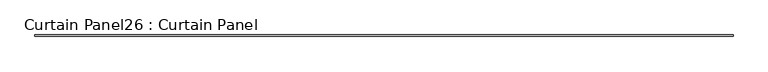
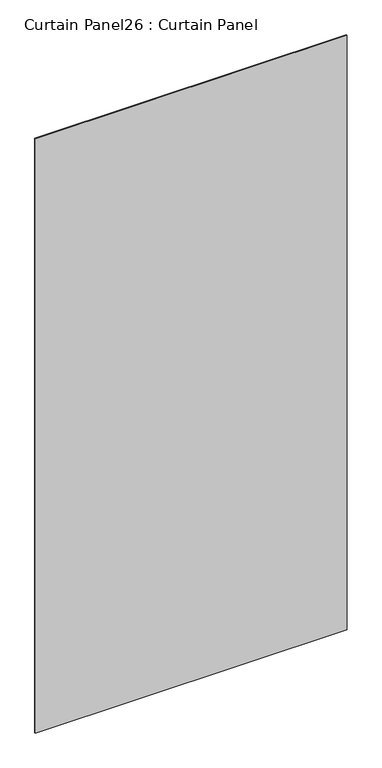
"""IFC4 building model written with IfcOpenShell, lengths in millimetres: plate geometry, Curtain Panel26 : Curtain Panel."""

from ifc_helpers import new_model, si_unit, frame, origin, place, context, project, spatial, polyline, outline, extrude, source, transform, mapped, element, save


def curtain_panel26_curtain_panel_36f80a8c(model_context):
    return source(origin(), model_context, "Body", "SweptSolid", [
        extrude(outline(polyline([(142566.3761004, 2938.2104768), (139613.6261004, 2938.2104768), (139613.6261004, 2944.5604768), (142566.3761004, 2944.5604768), (142566.3761004, 2938.2104768)])), frame((0.0, 0.0, 7253.2983791), z_axis=(0.0, 0.0, 1.0), x_axis=(1.0, 0.0, 0.0)), (0.0, 0.0, 1.0), 5948.350816),
    ])


if __name__ == "__main__":
    model = new_model("IFC4")
    model_context = context("Model", 3, world=origin())
    ifc_project = project(units=[si_unit("LENGTHUNIT", "METRE", prefix="MILLI")], contexts=[model_context])
    site = spatial("IfcSite", under=ifc_project)
    building = spatial("IfcBuilding", under=site)
    placement = place(None, origin())
    curtain_panel26_curtain_panel_shape = curtain_panel26_curtain_panel_36f80a8c(model_context)
    element("IfcPlate", 1, ObjectType="Curtain Panel26 : Curtain Panel", at=placement, inside=building, context=model_context, shape_type="MappedRepresentation", body=[
        mapped(curtain_panel26_curtain_panel_shape, transform((0.0, 0.0, 0.0), x_axis=(1.0, 0.0, 0.0), y_axis=(0.0, 1.0, 0.0), z_axis=(0.0, 0.0, 1.0))),
    ])
    save(model, "model.ifc")
